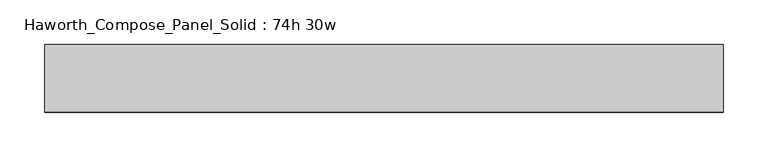
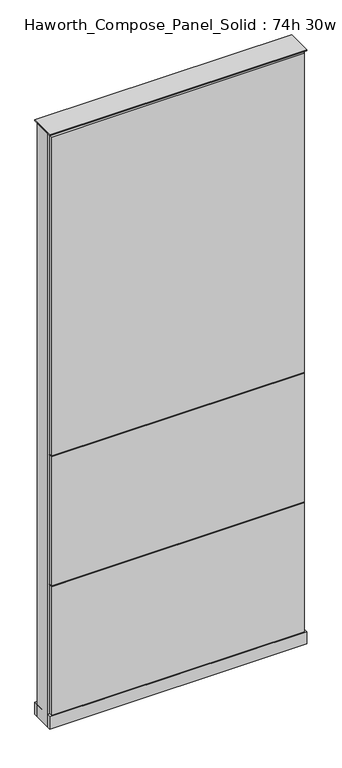
"""IFC4 building model written with IfcOpenShell, lengths in millimetres: furniture geometry, Haworth_Compose_Panel_Solid : 74h 30w."""

from ifc_helpers import new_model, si_unit, point, frame, frame_2d, origin, origin_with_axes, place, context, project, spatial, polyline, circle_curve, trimmed, segment, composite_curve, outline, extrude, source, transform, mapped, element, save


def haworth_compose_panel_solid_74h_30w_18b09915(model_context):
    return source(origin(), model_context, "Body", "SweptSolid", [
        extrude(outline(composite_curve([segment(trimmed(circle_curve(frame_2d((-302.3597098, 0.0)), 12.7), [point((-315.0597098, 0.0))], [point((-289.6597098, 0.0))], False, "CARTESIAN"), True, "CONTINUOUS"), segment(trimmed(circle_curve(frame_2d((-302.3597098, 0.0)), 12.7), [point((-289.6597098, 0.0))], [point((-315.0597098, 0.0))], False, "CARTESIAN"), True, "CONTINUOUS")], self_intersect=False)), origin_with_axes(), (0.0, 0.0, 1.0), 12.7),
        extrude(outline(composite_curve([segment(trimmed(circle_curve(frame_2d((307.2402902, 0.0)), 12.7), [point((294.5402902, 0.0))], [point((319.9402902, 0.0))], False, "CARTESIAN"), True, "CONTINUOUS"), segment(trimmed(circle_curve(frame_2d((307.2402902, 0.0)), 12.7), [point((319.9402902, 0.0))], [point((294.5402902, 0.0))], False, "CARTESIAN"), True, "CONTINUOUS")], self_intersect=False)), origin_with_axes(), (0.0, 0.0, 1.0), 12.7),
        extrude(outline(polyline([(377.0902902, 38.1), (377.0902902, 25.4), (-372.2097098, 25.4), (-372.2097098, 38.1), (377.0902902, 38.1)])), frame((0.0, 0.0, 866.775), z_axis=(0.0, 0.0, 1.0), x_axis=(1.0, 0.0, 0.0)), (0.0, 0.0, 1.0), 1000.125),
        extrude(outline(polyline([(377.0902902, 38.1), (377.0902902, 25.4), (-372.2097098, 25.4), (-372.2097098, 38.1), (377.0902902, 38.1)])), frame((0.0, 0.0, 460.375), z_axis=(0.0, 0.0, 1.0), x_axis=(1.0, 0.0, 0.0)), (0.0, 0.0, 1.0), 403.225),
        extrude(outline(polyline([(377.0902902, 38.1), (377.0902902, 25.4), (-372.2097098, 25.4), (-372.2097098, 38.1), (377.0902902, 38.1)])), frame((0.0, 0.0, 53.975), z_axis=(0.0, 0.0, 1.0), x_axis=(1.0, 0.0, 0.0)), (0.0, 0.0, 1.0), 403.225),
        extrude(outline(polyline([(377.0902902, -38.1), (-372.2097098, -38.1), (-372.2097098, -25.4), (377.0902902, -25.4), (377.0902902, -38.1)])), frame((0.0, 0.0, 866.775), z_axis=(0.0, 0.0, 1.0), x_axis=(1.0, 0.0, 0.0)), (0.0, 0.0, 1.0), 1000.125),
        extrude(outline(polyline([(377.0902902, -38.1), (-372.2097098, -38.1), (-372.2097098, -25.4), (377.0902902, -25.4), (377.0902902, -38.1)])), frame((0.0, 0.0, 460.375), z_axis=(0.0, 0.0, 1.0), x_axis=(1.0, 0.0, 0.0)), (0.0, 0.0, 1.0), 403.225),
        extrude(outline(polyline([(377.0902902, -38.1), (-372.2097098, -38.1), (-372.2097098, -25.4), (377.0902902, -25.4), (377.0902902, -38.1)])), frame((0.0, 0.0, 53.975), z_axis=(0.0, 0.0, 1.0), x_axis=(1.0, 0.0, 0.0)), (0.0, 0.0, 1.0), 403.225),
        extrude(outline(polyline([(383.4402902, 25.4), (383.4402902, -25.4), (-378.5597098, -25.4), (-378.5597098, 25.4), (383.4402902, 25.4)])), frame((0.0, 0.0, 12.7), z_axis=(0.0, 0.0, 1.0), x_axis=(1.0, 0.0, 0.0)), (0.0, 0.0, 1.0), 1860.55),
        extrude(outline(polyline([(-378.5597098, -38.1), (-378.5597098, 38.1), (383.4402902, 38.1), (383.4402902, -38.1), (-378.5597098, -38.1)])), frame((0.0, 0.0, 12.7), z_axis=(0.0, 0.0, 1.0), x_axis=(1.0, 0.0, 0.0)), (0.0, 0.0, 1.0), 38.1),
        extrude(outline(polyline([(-378.5597098, -38.1), (-378.5597098, 38.1), (383.4402902, 38.1), (383.4402902, -38.1), (-378.5597098, -38.1)])), frame((0.0, 0.0, 1873.25), z_axis=(0.0, 0.0, 1.0), x_axis=(1.0, 0.0, 0.0)), (0.0, 0.0, 1.0), 3.175),
    ])


if __name__ == "__main__":
    model = new_model("IFC4")
    model_context = context("Model", 3, world=origin())
    ifc_project = project(units=[si_unit("LENGTHUNIT", "METRE", prefix="MILLI")], contexts=[model_context])
    site = spatial("IfcSite", under=ifc_project)
    building = spatial("IfcBuilding", under=site)
    placement = place(None, origin())
    haworth_compose_panel_solid_74h_30w_shape = haworth_compose_panel_solid_74h_30w_18b09915(model_context)
    element("IfcFurniture", 1, ObjectType="Haworth_Compose_Panel_Solid : 74h 30w", at=placement, inside=building, context=model_context, shape_type="MappedRepresentation", body=[
        mapped(haworth_compose_panel_solid_74h_30w_shape, transform((0.0, 0.0, 0.0), x_axis=(1.0, 0.0, 0.0), y_axis=(0.0, 1.0, 0.0), z_axis=(0.0, 0.0, 1.0))),
    ])
    save(model, "model.ifc")
